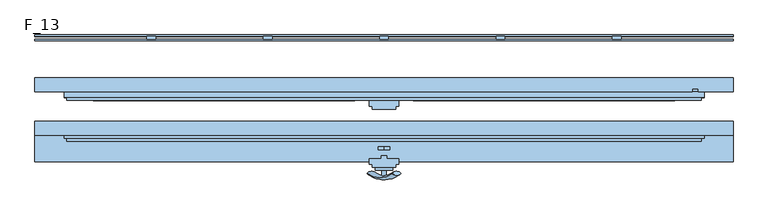
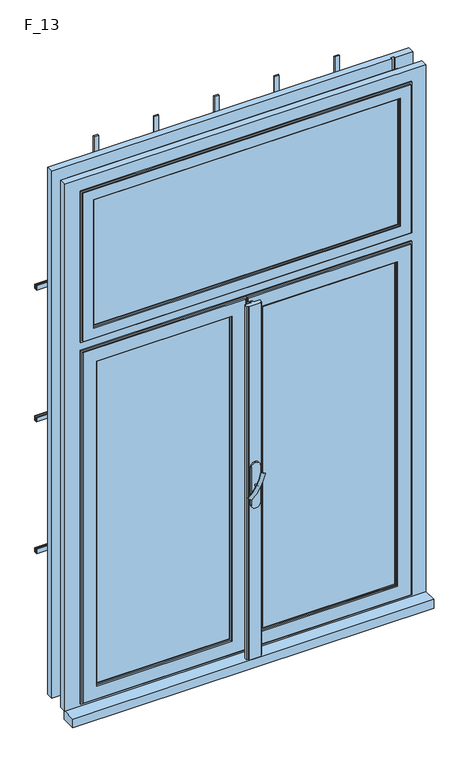
"""IFC4 building model written with IfcOpenShell, lengths in millimetres: window geometry, F_13."""

from ifc_helpers import new_model, si_unit, point, frame, frame_2d, origin, place, context, project, spatial, polyline, circle_curve, ellipse_curve, trimmed, segment, composite_curve, outline, extrude, faceted_brep, source, transform, mapped, element, save
from ifc_brep_helpers import plane_surface, revolved_surface, advanced_brep


def f_13_054e779a(model_context):
    return source(origin(), model_context, "Body", "SolidModel", [
        extrude(outline(polyline([(600.0, 147.5), (600.0, 145.0), (-600.0, 145.0), (-600.0, 147.5), (600.0, 147.5)])), frame((0.0, 0.0, 2220.0), z_axis=(0.0, 0.0, 1.0), x_axis=(1.0, 0.0, 0.0)), (0.0, 0.0, 1.0), 15.0),
        extrude(outline(polyline([(600.0, 147.5), (600.0, 145.0), (-600.0, 145.0), (-600.0, 147.5), (600.0, 147.5)])), frame((0.0, 0.0, 1757.5), z_axis=(0.0, 0.0, 1.0), x_axis=(1.0, 0.0, 0.0)), (0.0, 0.0, 1.0), 15.0),
        extrude(outline(polyline([(600.0, 147.5), (600.0, 145.0), (-600.0, 145.0), (-600.0, 147.5), (600.0, 147.5)])), frame((0.0, 0.0, 1295.0), z_axis=(0.0, 0.0, 1.0), x_axis=(1.0, 0.0, 0.0)), (0.0, 0.0, 1.0), 15.0),
        extrude(outline(polyline([(600.0, 140.0), (600.0, 137.5), (-600.0, 137.5), (-600.0, 140.0), (600.0, 140.0)])), frame((0.0, 0.0, 2220.0), z_axis=(0.0, 0.0, 1.0), x_axis=(1.0, 0.0, 0.0)), (0.0, 0.0, 1.0), 15.0),
        extrude(outline(polyline([(600.0, 140.0), (600.0, 137.5), (-600.0, 137.5), (-600.0, 140.0), (600.0, 140.0)])), frame((0.0, 0.0, 1757.5), z_axis=(0.0, 0.0, 1.0), x_axis=(1.0, 0.0, 0.0)), (0.0, 0.0, 1.0), 15.0),
        extrude(outline(polyline([(600.0, 140.0), (600.0, 137.5), (-600.0, 137.5), (-600.0, 140.0), (600.0, 140.0)])), frame((0.0, 0.0, 1295.0), z_axis=(0.0, 0.0, 1.0), x_axis=(1.0, 0.0, 0.0)), (0.0, 0.0, 1.0), 15.0),
        extrude(outline(polyline([(-392.5, 140.0), (-407.5, 140.0), (-407.5, 145.0), (-392.5, 145.0), (-392.5, 140.0)])), frame((0.0, 0.0, 840.0), z_axis=(0.0, 0.0, 1.0), x_axis=(1.0, 0.0, 0.0)), (0.0, 0.0, 1.0), 1850.0),
        extrude(outline(polyline([(-192.5, 140.0), (-207.5, 140.0), (-207.5, 145.0), (-192.5, 145.0), (-192.5, 140.0)])), frame((0.0, 0.0, 840.0), z_axis=(0.0, 0.0, 1.0), x_axis=(1.0, 0.0, 0.0)), (0.0, 0.0, 1.0), 1850.0),
        extrude(outline(polyline([(7.5, 140.0), (-7.5, 140.0), (-7.5, 145.0), (7.5, 145.0), (7.5, 140.0)])), frame((0.0, 0.0, 840.0), z_axis=(0.0, 0.0, 1.0), x_axis=(1.0, 0.0, 0.0)), (0.0, 0.0, 1.0), 1850.0),
        extrude(outline(polyline([(207.5, 140.0), (192.5, 140.0), (192.5, 145.0), (207.5, 145.0), (207.5, 140.0)])), frame((0.0, 0.0, 840.0), z_axis=(0.0, 0.0, 1.0), x_axis=(1.0, 0.0, 0.0)), (0.0, 0.0, 1.0), 1850.0),
        extrude(outline(polyline([(407.5, 140.0), (392.5, 140.0), (392.5, 145.0), (407.5, 145.0), (407.5, 140.0)])), frame((0.0, 0.0, 840.0), z_axis=(0.0, 0.0, 1.0), x_axis=(1.0, 0.0, 0.0)), (0.0, 0.0, 1.0), 1850.0),
        advanced_brep(
        [(-28.5497704, -90.2287724, 1428.0503471), (-14.693364, -90.2287724, 1420.0503471), (14.693364, -90.2287724, 1502.9496529), (28.5497704, -90.2287724, 1494.9496529)],
        [
            (0, 1, ellipse_curve(frame((-21.6215672, -90.2287724, 1424.0503471), z_axis=(-0.46984631039295827, 0.3420201433256777, -0.8137976813493676), x_axis=(0.8660254037844349, 0.0, -0.5000000000000066)), 8.0, 3.5)),
            (1, 0, ellipse_curve(frame((-21.6215672, -90.2287724, 1424.0503471), z_axis=(-0.46984631039295827, 0.3420201433256777, -0.8137976813493676), x_axis=(0.8660254037844349, 0.0, -0.5000000000000066)), 8.0, 3.5)),
            (2, 3, ellipse_curve(frame((21.6215672, -90.2287724, 1498.9496529), z_axis=(0.46984631039296154, 0.3420201433256599, 0.8137976813493732), x_axis=(0.8660254037844355, 0.0, -0.5000000000000056)), 8.0, 3.5)),
            (3, 2, ellipse_curve(frame((21.6215672, -90.2287724, 1498.9496529), z_axis=(0.46984631039296154, 0.3420201433256599, 0.8137976813493732), x_axis=(0.8660254037844355, 0.0, -0.5000000000000056)), 8.0, 3.5)),
            (3, 1, circle_curve(frame((6.9282032, 28.580763, 1457.5), z_axis=(0.8660254037844353, 0.0, -0.500000000000006), x_axis=(-0.1710100716628409, -0.9396926207859051, -0.29619813272603046)), 126.4344667)),
            (0, 2, circle_curve(frame((-6.9282032, 28.580763, 1465.5), z_axis=(-0.8660254037844353, 0.0, 0.500000000000006), x_axis=(-0.1710100716628409, -0.9396926207859051, -0.29619813272603046)), 126.4344667)),
        ],
        [
            plane_surface(frame((40.0926994, -87.5471681, 1389.5466142), z_axis=(-0.4698463103929582, 0.34202014332567776, -0.8137976813493677), x_axis=(-0.8660254037844352, 0.0, 0.500000000000006))),
            plane_surface(frame((82.3598097, -87.5471681, 1462.7553967), z_axis=(0.4698463103929615, 0.34202014332565983, 0.8137976813493734), x_axis=(-0.8660254037844352, 0.0, 0.500000000000006))),
            revolved_surface(trimmed(ellipse_curve(frame((-21.6215672, -90.2287724, 1424.0503471), z_axis=(-0.46984631039295827, 0.3420201433256777, -0.8137976813493676), x_axis=(0.8660254037844349, 0.0, -0.5000000000000066)), 8.0, 3.5), [point((-28.5497704, -90.2287724, 1428.0503471))], [point((-14.693364, -90.2287724, 1420.0503471))], True, "CARTESIAN"), (61.2262546, 28.580763, 1426.1510055), (-0.8660254037844353, 0.0, 0.500000000000006)),
            revolved_surface(trimmed(ellipse_curve(frame((-21.6215672, -90.2287724, 1424.0503471), z_axis=(-0.46984631039295827, 0.3420201433256777, -0.8137976813493676), x_axis=(0.8660254037844349, 0.0, -0.5000000000000066)), 8.0, 3.5), [point((-14.693364, -90.2287724, 1420.0503471))], [point((-28.5497704, -90.2287724, 1428.0503471))], True, "CARTESIAN"), (61.2262546, 28.580763, 1426.1510055), (-0.8660254037844353, 0.0, 0.500000000000006)),
        ],
        [
            (0, [[1, 2]]),
            (1, [[3, 4]]),
            (2, [[5, -1, 6, -4]]),
            (3, [[-6, -2, -5, -3]]),
        ],
    ),
        extrude(outline(composite_curve([segment(trimmed(circle_curve(frame_2d((1461.5, 0.0)), 3.5), [point((1461.5, -3.5))], [point((1461.5, 3.5))], False, "CARTESIAN"), True, "CONTINUOUS"), segment(trimmed(circle_curve(frame_2d((1461.5, 0.0)), 3.5), [point((1461.5, 3.5))], [point((1461.5, -3.5))], False, "CARTESIAN"), True, "CONTINUOUS")], self_intersect=False)), frame((0.0, -95.0, 0.0), z_axis=(0.0, 1.0, 0.0), x_axis=(0.0, 0.0, 1.0)), (0.0, 0.0, 1.0), 10.0),
        extrude(outline(composite_curve([segment(polyline([(1525.8020109, -15.0), (1395.8020109, -15.0)]), True, "CONTINUOUS"), segment(trimmed(circle_curve(frame_2d((1395.8020109, 0.0)), 15.0), [point((1395.8020109, -15.0))], [point((1395.8020109, 15.0))], False, "CARTESIAN"), True, "CONTINUOUS"), segment(polyline([(1395.8020109, 15.0), (1525.8020109, 15.0)]), True, "CONTINUOUS"), segment(trimmed(circle_curve(frame_2d((1525.8020109, 0.0)), 15.0), [point((1525.8020109, 15.0))], [point((1525.8020109, -15.0))], False, "CARTESIAN"), True, "CONTINUOUS")], self_intersect=False)), frame((0.0, -85.0, 0.0), z_axis=(0.0, 1.0, 0.0), x_axis=(0.0, 0.0, 1.0)), (0.0, 0.0, 1.0), 5.0),
        faceted_brep([(-0.5, 55.0, 2090.0), (-10.0, 55.0, 2090.0), (-10.0, 50.0, 2090.0), (-550.0, 50.0, 2090.0), (-550.0, 40.0, 2090.0), (0.0, 40.0, 2090.0), (0.0, 50.0, 2090.0), (-0.5, 50.0, 2090.0), (-0.5, 55.0, 850.0), (-0.5, 50.0, 850.0), (0.0, 50.0, 850.0), (0.0, 40.0, 850.0), (-550.0, 40.0, 850.0), (-550.0, 50.0, 850.0), (-10.0, 50.0, 850.0), (-10.0, 55.0, 850.0), (-10.0, 55.0, 860.0), (-540.0, 55.0, 860.0), (-540.0, 55.0, 2080.0), (-10.0, 55.0, 2080.0), (-50.0, 55.0, 900.0), (-50.0, 55.0, 2040.0), (-500.0, 55.0, 2040.0), (-500.0, 55.0, 900.0), (-10.0, 50.0, 2080.0), (-10.0, 50.0, 860.0), (-50.0, 50.0, 2040.0), (-50.0, 50.0, 900.0), (-55.0, 40.0, 2035.0), (-55.0, 50.0, 2035.0), (-55.0, 50.0, 905.0), (-55.0, 40.0, 905.0), (-50.0, 35.0, 2040.0), (-50.0, 40.0, 2040.0), (-50.0, 40.0, 900.0), (-50.0, 35.0, 900.0), (-5.0, 40.0, 2085.0), (-5.0, 35.0, 2085.0), (-5.0, 35.0, 855.0), (-5.0, 40.0, 855.0), (-500.0, 50.0, 900.0), (-495.0, 50.0, 905.0), (-495.0, 40.0, 905.0), (-500.0, 40.0, 900.0), (-500.0, 35.0, 900.0), (-545.0, 35.0, 855.0), (-545.0, 40.0, 855.0), (-540.0, 50.0, 860.0), (-500.0, 50.0, 2040.0), (-495.0, 50.0, 2035.0), (-495.0, 40.0, 2035.0), (-500.0, 40.0, 2040.0), (-500.0, 35.0, 2040.0), (-545.0, 35.0, 2085.0), (-545.0, 40.0, 2085.0), (-540.0, 50.0, 2080.0)], [[[0, 1, 2, 3, 4, 5, 6, 7]], [[8, 9, 10, 11, 12, 13, 14, 15]], [[1, 0, 8, 15, 16, 17, 18, 19], [20, 21, 22, 23]], [[2, 1, 19, 24]], [[15, 14, 25, 16]], [[0, 7, 9, 8]], [[26, 21, 20, 27]], [[28, 29, 30, 31]], [[32, 33, 34, 35]], [[36, 37, 38, 39]], [[6, 5, 11, 10]], [[27, 20, 23, 40]], [[31, 30, 41, 42]], [[35, 34, 43, 44]], [[39, 38, 45, 46]], [[25, 47, 17, 16]], [[40, 23, 22, 48]], [[42, 41, 49, 50]], [[44, 43, 51, 52]], [[46, 45, 53, 54]], [[13, 12, 4, 3]], [[17, 47, 55, 18]], [[21, 26, 48, 22]], [[26, 27, 40, 48], [30, 29, 49, 41]], [[29, 28, 50, 49]], [[34, 33, 51, 43], [28, 31, 42, 50]], [[33, 32, 52, 51]], [[38, 37, 53, 45], [32, 35, 44, 52]], [[37, 36, 54, 53]], [[11, 5, 4, 12], [36, 39, 46, 54]], [[6, 10, 9, 7]], [[47, 25, 14, 13, 3, 2, 24, 55]], [[18, 55, 24, 19]]]),
        faceted_brep([(0.5, 55.0, 2090.0), (0.5, 50.0, 2090.0), (0.0, 50.0, 2090.0), (0.0, 40.0, 2090.0), (550.0, 40.0, 2090.0), (550.0, 50.0, 2090.0), (10.0, 50.0, 2090.0), (10.0, 55.0, 2090.0), (0.5, 55.0, 850.0), (10.0, 55.0, 850.0), (10.0, 50.0, 850.0), (550.0, 50.0, 850.0), (550.0, 40.0, 850.0), (0.0, 40.0, 850.0), (0.0, 50.0, 850.0), (0.5, 50.0, 850.0), (10.0, 55.0, 2080.0), (540.0, 55.0, 2080.0), (540.0, 55.0, 860.0), (10.0, 55.0, 860.0), (50.0, 55.0, 2040.0), (50.0, 55.0, 900.0), (500.0, 55.0, 900.0), (500.0, 55.0, 2040.0), (10.0, 50.0, 2080.0), (10.0, 50.0, 860.0), (50.0, 50.0, 2040.0), (50.0, 50.0, 900.0), (55.0, 50.0, 2035.0), (55.0, 40.0, 2035.0), (55.0, 40.0, 905.0), (55.0, 50.0, 905.0), (50.0, 40.0, 2040.0), (50.0, 35.0, 2040.0), (50.0, 35.0, 900.0), (50.0, 40.0, 900.0), (5.0, 35.0, 2085.0), (5.0, 40.0, 2085.0), (5.0, 40.0, 855.0), (5.0, 35.0, 855.0), (500.0, 50.0, 900.0), (495.0, 40.0, 905.0), (495.0, 50.0, 905.0), (500.0, 35.0, 900.0), (500.0, 40.0, 900.0), (545.0, 40.0, 855.0), (545.0, 35.0, 855.0), (540.0, 50.0, 860.0), (500.0, 50.0, 2040.0), (495.0, 40.0, 2035.0), (495.0, 50.0, 2035.0), (500.0, 35.0, 2040.0), (500.0, 40.0, 2040.0), (545.0, 40.0, 2085.0), (545.0, 35.0, 2085.0), (540.0, 50.0, 2080.0)], [[[0, 1, 2, 3, 4, 5, 6, 7]], [[8, 9, 10, 11, 12, 13, 14, 15]], [[0, 7, 16, 17, 18, 19, 9, 8], [20, 21, 22, 23]], [[7, 6, 24, 16]], [[10, 9, 19, 25]], [[1, 0, 8, 15]], [[20, 26, 27, 21]], [[28, 29, 30, 31]], [[32, 33, 34, 35]], [[36, 37, 38, 39]], [[3, 2, 14, 13]], [[21, 27, 40, 22]], [[31, 30, 41, 42]], [[35, 34, 43, 44]], [[39, 38, 45, 46]], [[19, 18, 47, 25]], [[22, 40, 48, 23]], [[42, 41, 49, 50]], [[44, 43, 51, 52]], [[46, 45, 53, 54]], [[12, 11, 5, 4]], [[47, 18, 17, 55]], [[26, 20, 23, 48]], [[27, 26, 48, 40], [28, 31, 42, 50]], [[29, 28, 50, 49]], [[32, 35, 44, 52], [30, 29, 49, 41]], [[33, 32, 52, 51]], [[36, 39, 46, 54], [34, 33, 51, 43]], [[37, 36, 54, 53]], [[3, 13, 12, 4], [38, 37, 53, 45]], [[14, 2, 1, 15]], [[25, 47, 55, 24, 6, 5, 11, 10]], [[55, 17, 16, 24]]]),
        extrude(outline(polyline([(-55.0, 43.0), (-495.0, 43.0), (-495.0, 47.0), (-55.0, 47.0), (-55.0, 43.0)])), frame((0.0, 0.0, 905.0), z_axis=(0.0, 0.0, 1.0), x_axis=(1.0, 0.0, 0.0)), (0.0, 0.0, 1.0), 1130.0),
        extrude(outline(polyline([(495.0, 43.0), (55.0, 43.0), (55.0, 47.0), (495.0, 47.0), (495.0, 43.0)])), frame((0.0, 0.0, 905.0), z_axis=(0.0, 0.0, 1.0), x_axis=(1.0, 0.0, 0.0)), (0.0, 0.0, 1.0), 1130.0),
        extrude(outline(polyline([(5.0, 40.0), (5.0, 35.0), (25.0, 35.0), (25.0, 25.0), (20.0, 25.0), (20.0, 20.0), (-20.0, 20.0), (-20.0, 25.0), (-25.0, 25.0), (-25.0, 35.0), (-5.0, 35.0), (-5.0, 40.0), (5.0, 40.0)])), frame((0.0, 0.0, 850.0), z_axis=(0.0, 0.0, 1.0), x_axis=(1.0, 0.0, 0.0)), (0.0, 0.0, 1.0), 1240.0),
        faceted_brep([(-50.0, -20.0, 2040.0), (-50.0, -15.0, 2040.0), (-50.0, -15.0, 900.0), (-50.0, -20.0, 900.0), (-55.0, -30.0, 2035.0), (-55.0, -20.0, 2035.0), (-55.0, -20.0, 905.0), (-55.0, -30.0, 905.0), (-50.0, -35.0, 2040.0), (-50.0, -30.0, 2040.0), (-50.0, -30.0, 900.0), (-50.0, -35.0, 900.0), (-5.0, -30.0, 2085.0), (-5.0, -35.0, 2085.0), (-5.0, -35.0, 855.0), (-5.0, -30.0, 855.0), (0.0, -20.0, 2090.0), (0.0, -30.0, 2090.0), (0.0, -30.0, 850.0), (0.0, -20.0, 850.0), (-10.0, -15.0, 2080.0), (-10.0, -20.0, 2080.0), (-10.0, -20.0, 860.0), (-10.0, -15.0, 860.0), (-500.0, -15.0, 900.0), (-500.0, -20.0, 900.0), (-495.0, -20.0, 905.0), (-495.0, -30.0, 905.0), (-500.0, -30.0, 900.0), (-500.0, -35.0, 900.0), (-545.0, -35.0, 855.0), (-545.0, -30.0, 855.0), (-550.0, -30.0, 850.0), (-550.0, -20.0, 850.0), (-540.0, -20.0, 860.0), (-540.0, -15.0, 860.0), (-500.0, -15.0, 2040.0), (-500.0, -20.0, 2040.0), (-495.0, -20.0, 2035.0), (-495.0, -30.0, 2035.0), (-500.0, -30.0, 2040.0), (-500.0, -35.0, 2040.0), (-545.0, -35.0, 2085.0), (-545.0, -30.0, 2085.0), (-550.0, -30.0, 2090.0), (-550.0, -20.0, 2090.0), (-540.0, -20.0, 2080.0), (-540.0, -15.0, 2080.0)], [[[0, 1, 2, 3]], [[4, 5, 6, 7]], [[8, 9, 10, 11]], [[12, 13, 14, 15]], [[16, 17, 18, 19]], [[20, 21, 22, 23]], [[3, 2, 24, 25]], [[7, 6, 26, 27]], [[11, 10, 28, 29]], [[15, 14, 30, 31]], [[19, 18, 32, 33]], [[23, 22, 34, 35]], [[25, 24, 36, 37]], [[27, 26, 38, 39]], [[29, 28, 40, 41]], [[31, 30, 42, 43]], [[33, 32, 44, 45]], [[35, 34, 46, 47]], [[20, 23, 35, 47], [2, 1, 36, 24]], [[1, 0, 37, 36]], [[0, 3, 25, 37], [6, 5, 38, 26]], [[5, 4, 39, 38]], [[10, 9, 40, 28], [4, 7, 27, 39]], [[9, 8, 41, 40]], [[14, 13, 42, 30], [8, 11, 29, 41]], [[13, 12, 43, 42]], [[18, 17, 44, 32], [12, 15, 31, 43]], [[17, 16, 45, 44]], [[16, 19, 33, 45], [22, 21, 46, 34]], [[21, 20, 47, 46]]]),
        faceted_brep([(-0.5, -45.0, 2080.0), (-10.0, -45.0, 2080.0), (-10.0, -50.0, 2080.0), (-0.5, -50.0, 2080.0), (-0.5, -45.0, 850.0), (-0.5, -50.0, 850.0), (-10.0, -50.0, 850.0), (-10.0, -45.0, 850.0)], [[[0, 1, 2, 3]], [[4, 5, 6, 7]], [[1, 0, 4, 7]], [[2, 1, 7, 6]], [[3, 2, 6, 5]], [[0, 3, 5, 4]]]),
        extrude(outline(polyline([(-55.0, -27.0), (-495.0, -27.0), (-495.0, -23.0), (-55.0, -23.0), (-55.0, -27.0)])), frame((0.0, 0.0, 905.0), z_axis=(0.0, 0.0, 1.0), x_axis=(1.0, 0.0, 0.0)), (0.0, 0.0, 1.0), 1130.0),
        extrude(outline(polyline([(495.0, -27.0), (55.0, -27.0), (55.0, -23.0), (495.0, -23.0), (495.0, -27.0)])), frame((0.0, 0.0, 905.0), z_axis=(0.0, 0.0, 1.0), x_axis=(1.0, 0.0, 0.0)), (0.0, 0.0, 1.0), 1130.0),
        faceted_brep([(5.0, -60.0, 2090.0), (-5.0, -60.0, 2090.0), (-5.0, -65.0, 2090.0), (-25.0, -65.0, 2090.0), (-25.0, -75.0, 2090.0), (-20.0, -75.0, 2090.0), (-20.0, -80.0, 2090.0), (20.0, -80.0, 2090.0), (20.0, -75.0, 2090.0), (25.0, -75.0, 2090.0), (25.0, -65.0, 2090.0), (5.0, -65.0, 2090.0), (5.0, -60.0, 850.0), (5.0, -65.0, 850.0), (25.0, -65.0, 850.0), (25.0, -75.0, 850.0), (20.0, -75.0, 850.0), (20.0, -80.0, 850.0), (-20.0, -80.0, 850.0), (-20.0, -75.0, 850.0), (-25.0, -75.0, 850.0), (-25.0, -65.0, 850.0), (-5.0, -65.0, 850.0), (-5.0, -60.0, 850.0)], [[[0, 1, 2, 3, 4, 5, 6, 7, 8, 9, 10, 11]], [[12, 13, 14, 15, 16, 17, 18, 19, 20, 21, 22, 23]], [[1, 0, 12, 23]], [[2, 1, 23, 22]], [[3, 2, 22, 21]], [[4, 3, 21, 20]], [[5, 4, 20, 19]], [[6, 5, 19, 18]], [[7, 6, 18, 17]], [[8, 7, 17, 16]], [[9, 8, 16, 15]], [[10, 9, 15, 14]], [[11, 10, 14, 13]], [[0, 11, 13, 12]]]),
        faceted_brep([(50.0, -15.0, 2040.0), (50.0, -20.0, 2040.0), (50.0, -20.0, 900.0), (50.0, -15.0, 900.0), (55.0, -20.0, 2035.0), (55.0, -30.0, 2035.0), (55.0, -30.0, 905.0), (55.0, -20.0, 905.0), (50.0, -30.0, 2040.0), (50.0, -35.0, 2040.0), (50.0, -35.0, 900.0), (50.0, -30.0, 900.0), (5.0, -35.0, 2085.0), (5.0, -30.0, 2085.0), (5.0, -30.0, 855.0), (5.0, -35.0, 855.0), (0.0, -30.0, 2090.0), (0.0, -20.0, 2090.0), (0.0, -20.0, 850.0), (0.0, -30.0, 850.0), (10.0, -20.0, 2080.0), (10.0, -15.0, 2080.0), (10.0, -15.0, 860.0), (10.0, -20.0, 860.0), (500.0, -20.0, 900.0), (500.0, -15.0, 900.0), (495.0, -30.0, 905.0), (495.0, -20.0, 905.0), (500.0, -35.0, 900.0), (500.0, -30.0, 900.0), (545.0, -30.0, 855.0), (545.0, -35.0, 855.0), (550.0, -20.0, 850.0), (550.0, -30.0, 850.0), (540.0, -15.0, 860.0), (540.0, -20.0, 860.0), (500.0, -20.0, 2040.0), (500.0, -15.0, 2040.0), (495.0, -30.0, 2035.0), (495.0, -20.0, 2035.0), (500.0, -35.0, 2040.0), (500.0, -30.0, 2040.0), (545.0, -30.0, 2085.0), (545.0, -35.0, 2085.0), (550.0, -20.0, 2090.0), (550.0, -30.0, 2090.0), (540.0, -15.0, 2080.0), (540.0, -20.0, 2080.0)], [[[0, 1, 2, 3]], [[4, 5, 6, 7]], [[8, 9, 10, 11]], [[12, 13, 14, 15]], [[16, 17, 18, 19]], [[20, 21, 22, 23]], [[3, 2, 24, 25]], [[7, 6, 26, 27]], [[11, 10, 28, 29]], [[15, 14, 30, 31]], [[19, 18, 32, 33]], [[23, 22, 34, 35]], [[25, 24, 36, 37]], [[27, 26, 38, 39]], [[29, 28, 40, 41]], [[31, 30, 42, 43]], [[33, 32, 44, 45]], [[35, 34, 46, 47]], [[22, 21, 46, 34], [0, 3, 25, 37]], [[1, 0, 37, 36]], [[2, 1, 36, 24], [4, 7, 27, 39]], [[5, 4, 39, 38]], [[8, 11, 29, 41], [6, 5, 38, 26]], [[9, 8, 41, 40]], [[12, 15, 31, 43], [10, 9, 40, 28]], [[13, 12, 43, 42]], [[16, 19, 33, 45], [14, 13, 42, 30]], [[17, 16, 45, 44]], [[18, 17, 44, 32], [20, 23, 35, 47]], [[21, 20, 47, 46]]]),
        faceted_brep([(0.5, -45.0, 2080.0), (0.5, -50.0, 2080.0), (10.0, -50.0, 2080.0), (10.0, -45.0, 2080.0), (0.5, -45.0, 850.0), (10.0, -45.0, 850.0), (10.0, -50.0, 850.0), (0.5, -50.0, 850.0)], [[[0, 1, 2, 3]], [[4, 5, 6, 7]], [[0, 3, 5, 4]], [[3, 2, 6, 5]], [[2, 1, 7, 6]], [[1, 0, 4, 7]]]),
        extrude(outline(polyline([(600.0, -70.0), (-600.0, -70.0), (-600.0, -20.0), (600.0, -20.0), (600.0, -70.0)])), frame((0.0, 0.0, 810.0), z_axis=(0.0, 0.0, 1.0), x_axis=(1.0, 0.0, 0.0)), (0.0, 0.0, 1.0), 30.0),
        faceted_brep([(-600.0, -25.0, 2690.0), (-600.0, -1.0, 2690.0), (-600.0, -1.0, 840.0), (-600.0, -25.0, 840.0), (600.0, -1.0, 2690.0), (600.0, -1.0, 840.0), (540.0, -1.0, 840.0), (540.0, -1.0, 810.0), (-540.0, -1.0, 810.0), (-540.0, -1.0, 840.0), (-530.0, -1.0, 2630.0), (-530.0, -1.0, 2130.0), (530.0, -1.0, 2130.0), (530.0, -1.0, 2630.0), (-530.0, -1.0, 2070.0), (-530.0, -1.0, 870.0), (530.0, -1.0, 870.0), (530.0, -1.0, 2070.0), (-540.0, -25.0, 840.0), (-540.0, -20.0, 840.0), (-540.0, -25.0, 810.0), (540.0, -25.0, 810.0), (540.0, -25.0, 840.0), (600.0, -25.0, 840.0), (600.0, -25.0, 2690.0), (540.0, -25.0, 2080.0), (540.0, -25.0, 860.0), (-540.0, -25.0, 860.0), (-540.0, -25.0, 2080.0), (-540.0, -25.0, 2640.0), (540.0, -25.0, 2640.0), (540.0, -25.0, 2120.0), (-540.0, -25.0, 2120.0), (-530.0, -20.0, 2070.0), (-530.0, -20.0, 870.0), (-530.0, -20.0, 2630.0), (-530.0, -20.0, 2130.0), (530.0, -20.0, 2130.0), (530.0, -20.0, 2630.0), (530.0, -20.0, 2070.0), (530.0, -20.0, 870.0), (540.0, -20.0, 840.0), (-540.0, -20.0, 2640.0), (-540.0, -20.0, 2120.0), (540.0, -20.0, 2120.0), (540.0, -20.0, 2640.0), (540.0, -20.0, 2080.0), (-540.0, -20.0, 2080.0), (-540.0, -20.0, 860.0), (540.0, -20.0, 860.0)], [[[0, 1, 2, 3]], [[2, 1, 4, 5, 6, 7, 8, 9], [10, 11, 12, 13], [14, 15, 16, 17]], [[18, 3, 2, 9, 19]], [[3, 18, 20, 21, 22, 23, 24, 0], [25, 26, 27, 28], [29, 30, 31, 32]], [[14, 33, 34, 15]], [[10, 35, 36, 11]], [[11, 36, 37, 12]], [[13, 12, 37, 38]], [[39, 17, 16, 40]], [[4, 24, 23, 5]], [[5, 23, 22, 41, 6]], [[21, 7, 6, 41, 22]], [[20, 8, 7, 21]], [[8, 20, 18, 19, 9]], [[34, 40, 16, 15]], [[33, 14, 17, 39]], [[42, 43, 44, 45], [36, 35, 38, 37]], [[46, 47, 48, 49], [33, 39, 40, 34]], [[48, 47, 28, 27]], [[42, 29, 32, 43]], [[32, 31, 44, 43]], [[31, 30, 45, 44]], [[25, 46, 49, 26]], [[25, 28, 47, 46]], [[27, 26, 49, 48]], [[1, 0, 24, 4]], [[35, 10, 13, 38]], [[30, 29, 42, 45]]]),
        faceted_brep([(-600.0, 74.0, 840.0), (600.0, 74.0, 840.0), (600.0, 50.0, 840.0), (540.0, 50.0, 840.0), (540.0, 55.0, 840.0), (530.0, 55.0, 840.0), (530.0, 50.0, 840.0), (-530.0, 50.0, 840.0), (-530.0, 55.0, 840.0), (-540.0, 55.0, 840.0), (-540.0, 50.0, 840.0), (-600.0, 50.0, 840.0), (-600.0, 50.0, 2690.0), (-600.0, 74.0, 2690.0), (-540.0, 50.0, 2080.0), (540.0, 50.0, 2080.0), (600.0, 50.0, 2690.0), (540.0, 50.0, 2690.0), (540.0, 50.0, 2120.0), (-540.0, 50.0, 2120.0), (-540.0, 50.0, 2640.0), (530.0, 50.0, 2640.0), (530.0, 50.0, 2690.0), (600.0, 74.0, 2690.0), (530.0, 74.0, 2070.0), (-530.0, 74.0, 2070.0), (-530.0, 74.0, 870.0), (530.0, 74.0, 870.0), (530.0, 74.0, 2630.0), (-530.0, 74.0, 2630.0), (-530.0, 74.0, 2130.0), (530.0, 74.0, 2130.0), (-530.0, 55.0, 2630.0), (-530.0, 55.0, 2130.0), (-530.0, 55.0, 2070.0), (-530.0, 55.0, 870.0), (530.0, 55.0, 2130.0), (530.0, 55.0, 2630.0), (530.0, 55.0, 2070.0), (530.0, 55.0, 870.0), (540.0, 55.0, 2080.0), (-540.0, 55.0, 2080.0), (-530.0, 55.0, 860.0), (530.0, 55.0, 860.0), (540.0, 55.0, 2690.0), (530.0, 55.0, 2690.0), (530.0, 55.0, 2640.0), (-540.0, 55.0, 2640.0), (-540.0, 55.0, 2120.0), (540.0, 55.0, 2120.0), (-530.0, 50.0, 860.0), (530.0, 50.0, 860.0)], [[[0, 1, 2, 3, 4, 5, 6, 7, 8, 9, 10, 11]], [[0, 11, 12, 13]], [[12, 11, 10, 14, 15, 3, 2, 16, 17, 18, 19, 20, 21, 22]], [[0, 13, 23, 1], [24, 25, 26, 27], [28, 29, 30, 31]], [[30, 29, 32, 33]], [[26, 25, 34, 35]], [[36, 31, 30, 33]], [[28, 31, 36, 37]], [[38, 24, 27, 39]], [[24, 38, 34, 25]], [[27, 26, 35, 39]], [[23, 16, 2, 1]], [[5, 4, 40, 41, 9, 8, 42, 43], [39, 35, 34, 38]], [[44, 45, 46, 47, 48, 49], [36, 33, 32, 37]], [[10, 9, 41, 14]], [[20, 19, 48, 47]], [[18, 49, 48, 19]], [[4, 3, 15, 40]], [[17, 44, 49, 18]], [[41, 40, 15, 14]], [[7, 50, 42, 8]], [[42, 50, 51, 43]], [[43, 51, 6, 5]], [[50, 7, 6, 51]], [[23, 13, 12, 22, 45, 44, 17, 16]], [[22, 21, 46, 45]], [[47, 46, 21, 20]], [[28, 37, 32, 29]]]),
        extrude(outline(polyline([(505.0, 43.0), (-505.0, 43.0), (-505.0, 47.0), (505.0, 47.0), (505.0, 43.0)])), frame((0.0, 0.0, 2165.0), z_axis=(0.0, 0.0, 1.0), x_axis=(1.0, 0.0, 0.0)), (0.0, 0.0, 1.0), 440.0),
        faceted_brep([(510.0, 50.0, 2610.0), (510.0, 55.0, 2610.0), (510.0, 55.0, 2160.0), (510.0, 50.0, 2160.0), (540.0, 55.0, 2130.0), (-540.0, 55.0, 2130.0), (-540.0, 55.0, 2640.0), (540.0, 55.0, 2640.0), (-510.0, 55.0, 2610.0), (-510.0, 55.0, 2160.0), (-510.0, 50.0, 2160.0), (-510.0, 50.0, 2610.0), (505.0, 50.0, 2605.0), (-505.0, 50.0, 2605.0), (-505.0, 50.0, 2165.0), (505.0, 50.0, 2165.0), (505.0, 40.0, 2605.0), (505.0, 40.0, 2165.0), (-505.0, 40.0, 2165.0), (510.0, 40.0, 2610.0), (-510.0, 40.0, 2610.0), (-510.0, 40.0, 2160.0), (510.0, 40.0, 2160.0), (-505.0, 40.0, 2605.0), (510.0, 35.0, 2610.0), (510.0, 35.0, 2160.0), (-510.0, 35.0, 2160.0), (545.0, 35.0, 2645.0), (-545.0, 35.0, 2645.0), (-545.0, 35.0, 2125.0), (545.0, 35.0, 2125.0), (-510.0, 35.0, 2610.0), (550.0, 50.0, 2650.0), (550.0, 40.0, 2650.0), (550.0, 40.0, 2120.0), (550.0, 50.0, 2120.0), (-550.0, 40.0, 2650.0), (-550.0, 40.0, 2120.0), (545.0, 40.0, 2125.0), (-545.0, 40.0, 2125.0), (-545.0, 40.0, 2645.0), (545.0, 40.0, 2645.0), (-550.0, 50.0, 2120.0), (-550.0, 50.0, 2650.0), (540.0, 50.0, 2640.0), (-540.0, 50.0, 2640.0), (-540.0, 50.0, 2130.0), (540.0, 50.0, 2130.0)], [[[0, 1, 2, 3]], [[4, 5, 6, 7], [1, 8, 9, 2]], [[3, 2, 9, 10]], [[3, 10, 11, 0], [12, 13, 14, 15]], [[16, 12, 15, 17]], [[17, 15, 14, 18]], [[19, 20, 21, 22], [17, 18, 23, 16]], [[24, 19, 22, 25]], [[25, 22, 21, 26]], [[27, 28, 29, 30], [25, 26, 31, 24]], [[32, 33, 34, 35]], [[33, 36, 37, 34], [38, 39, 40, 41]], [[35, 34, 37, 42]], [[35, 42, 43, 32], [44, 45, 46, 47]], [[7, 44, 47, 4]], [[4, 47, 46, 5]], [[10, 9, 8, 11]], [[18, 14, 13, 23]], [[26, 21, 20, 31]], [[42, 37, 36, 43]], [[5, 46, 45, 6]], [[39, 29, 28, 40]], [[38, 30, 29, 39]], [[41, 27, 30, 38]], [[11, 8, 1, 0]], [[23, 13, 12, 16]], [[31, 20, 19, 24]], [[43, 36, 33, 32]], [[6, 45, 44, 7]], [[40, 28, 27, 41]]]),
        extrude(outline(polyline([(505.0, -27.0), (-505.0, -27.0), (-505.0, -23.0), (505.0, -23.0), (505.0, -27.0)])), frame((0.0, 0.0, 2165.0), z_axis=(0.0, 0.0, 1.0), x_axis=(1.0, 0.0, 0.0)), (0.0, 0.0, 1.0), 440.0),
        faceted_brep([(510.0, -20.0, 2610.0), (510.0, -15.0, 2610.0), (510.0, -15.0, 2160.0), (510.0, -20.0, 2160.0), (540.0, -15.0, 2130.0), (-540.0, -15.0, 2130.0), (-540.0, -15.0, 2640.0), (540.0, -15.0, 2640.0), (-510.0, -15.0, 2610.0), (-510.0, -15.0, 2160.0), (-510.0, -20.0, 2160.0), (-510.0, -20.0, 2610.0), (505.0, -20.0, 2605.0), (-505.0, -20.0, 2605.0), (-505.0, -20.0, 2165.0), (505.0, -20.0, 2165.0), (505.0, -30.0, 2605.0), (505.0, -30.0, 2165.0), (-505.0, -30.0, 2165.0), (510.0, -30.0, 2610.0), (-510.0, -30.0, 2610.0), (-510.0, -30.0, 2160.0), (510.0, -30.0, 2160.0), (-505.0, -30.0, 2605.0), (510.0, -35.0, 2610.0), (510.0, -35.0, 2160.0), (-510.0, -35.0, 2160.0), (545.0, -35.0, 2645.0), (-545.0, -35.0, 2645.0), (-545.0, -35.0, 2125.0), (545.0, -35.0, 2125.0), (-510.0, -35.0, 2610.0), (550.0, -20.0, 2650.0), (550.0, -30.0, 2650.0), (550.0, -30.0, 2120.0), (550.0, -20.0, 2120.0), (-550.0, -30.0, 2650.0), (-550.0, -30.0, 2120.0), (545.0, -30.0, 2125.0), (-545.0, -30.0, 2125.0), (-545.0, -30.0, 2645.0), (545.0, -30.0, 2645.0), (-550.0, -20.0, 2120.0), (-550.0, -20.0, 2650.0), (540.0, -20.0, 2640.0), (-540.0, -20.0, 2640.0), (-540.0, -20.0, 2130.0), (540.0, -20.0, 2130.0)], [[[0, 1, 2, 3]], [[4, 5, 6, 7], [1, 8, 9, 2]], [[3, 2, 9, 10]], [[3, 10, 11, 0], [12, 13, 14, 15]], [[16, 12, 15, 17]], [[17, 15, 14, 18]], [[19, 20, 21, 22], [17, 18, 23, 16]], [[24, 19, 22, 25]], [[25, 22, 21, 26]], [[27, 28, 29, 30], [25, 26, 31, 24]], [[32, 33, 34, 35]], [[33, 36, 37, 34], [38, 39, 40, 41]], [[35, 34, 37, 42]], [[35, 42, 43, 32], [44, 45, 46, 47]], [[7, 44, 47, 4]], [[4, 47, 46, 5]], [[10, 9, 8, 11]], [[18, 14, 13, 23]], [[26, 21, 20, 31]], [[42, 37, 36, 43]], [[5, 46, 45, 6]], [[39, 29, 28, 40]], [[38, 30, 29, 39]], [[41, 27, 30, 38]], [[11, 8, 1, 0]], [[23, 13, 12, 16]], [[31, 20, 19, 24]], [[43, 36, 33, 32]], [[6, 45, 44, 7]], [[40, 28, 27, 41]]]),
    ])


if __name__ == "__main__":
    model = new_model("IFC4")
    model_context = context("Model", 3, world=origin())
    ifc_project = project(units=[si_unit("LENGTHUNIT", "METRE", prefix="MILLI")], contexts=[model_context])
    site = spatial("IfcSite", under=ifc_project)
    building = spatial("IfcBuilding", under=site)
    placement = place(None, origin())
    f_13_shape = f_13_054e779a(model_context)
    element("IfcWindow", 1, ObjectType="F_13", at=placement, inside=building, context=model_context, shape_type="MappedRepresentation", body=[
        mapped(f_13_shape, transform((0.0, 0.0, 0.0), x_axis=(1.0, 0.0, 0.0), y_axis=(0.0, 1.0, 0.0), z_axis=(0.0, 0.0, 1.0))),
    ])
    save(model, "model.ifc")
